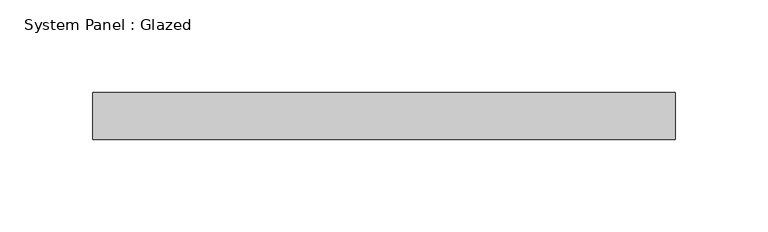
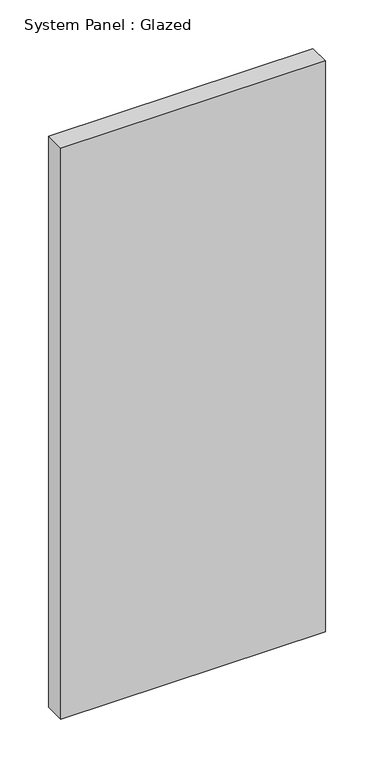
"""IFC4 building model written with IfcOpenShell, lengths in millimetres: plate geometry, System Panel : Glazed."""

from ifc_helpers import new_model, si_unit, origin, origin_with_axes, place, context, project, spatial, polyline, outline, extrude, source, transform, mapped, element, save


def system_panel_glazed_9d862e13(model_context):
    return source(origin(), model_context, "Body", "SweptSolid", [
        extrude(outline(polyline([(157.375, 19.05), (-157.375, 19.05), (-157.375, 44.45), (157.375, 44.45), (157.375, 19.05)])), origin_with_axes(), (0.0, 0.0, 1.0), 717.95),
    ])


if __name__ == "__main__":
    model = new_model("IFC4")
    model_context = context("Model", 3, world=origin())
    ifc_project = project(units=[si_unit("LENGTHUNIT", "METRE", prefix="MILLI")], contexts=[model_context])
    site = spatial("IfcSite", under=ifc_project)
    building = spatial("IfcBuilding", under=site)
    placement = place(None, origin())
    system_panel_glazed_shape = system_panel_glazed_9d862e13(model_context)
    element("IfcPlate", 1, ObjectType="System Panel : Glazed", at=placement, inside=building, context=model_context, shape_type="MappedRepresentation", body=[
        mapped(system_panel_glazed_shape, transform((0.0, 0.0, 0.0), x_axis=(1.0, 0.0, 0.0), y_axis=(0.0, 1.0, 0.0), z_axis=(0.0, 0.0, 1.0))),
    ])
    save(model, "model.ifc")
